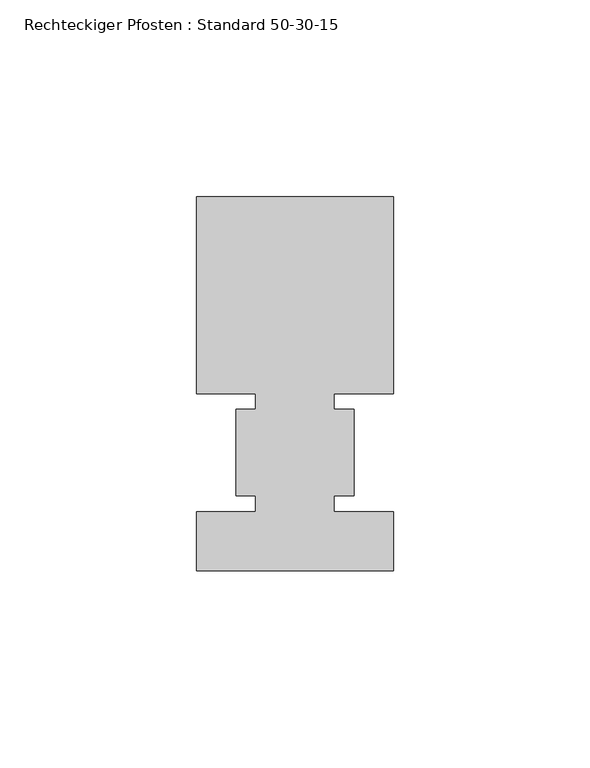
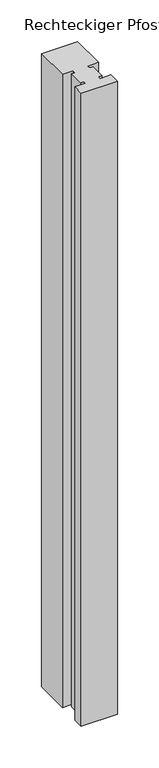
"""IFC4 building model written with IfcOpenShell, lengths in millimetres: member geometry, Rechteckiger Pfosten : Standard 50-30-15."""

from ifc_helpers import new_model, si_unit, frame, origin, place, context, project, spatial, polyline, outline, extrude, source, transform, mapped, element, save


def rechteckiger_pfosten_standard_50_30_15_737d58ae(model_context):
    return source(origin(), model_context, "Body", "SweptSolid", [
        extrude(outline(polyline([(-25.0, 65.0), (25.0, 65.0), (25.0, 15.0), (10.0, 15.0), (10.0, 11.0), (15.0, 11.0), (15.0, -11.0), (10.0, -11.0), (10.0, -15.0), (25.0, -15.0), (25.0, -30.0), (-25.0, -30.0), (-25.0, -15.0), (-10.0, -15.0), (-10.0, -11.0), (-15.0, -11.0), (-15.0, 11.0), (-10.0, 11.0), (-10.0, 15.0), (-25.0, 15.0), (-25.0, 65.0)])), frame((0.0, 0.0, -925.7142856), z_axis=(0.0, 0.0, 1.0), x_axis=(1.0, 0.0, 0.0)), (0.0, 0.0, 1.0), 925.7142856),
    ])


if __name__ == "__main__":
    model = new_model("IFC4")
    model_context = context("Model", 3, world=origin())
    ifc_project = project(units=[si_unit("LENGTHUNIT", "METRE", prefix="MILLI")], contexts=[model_context])
    site = spatial("IfcSite", under=ifc_project)
    building = spatial("IfcBuilding", under=site)
    placement = place(None, origin())
    rechteckiger_pfosten_standard_50_30_15_shape = rechteckiger_pfosten_standard_50_30_15_737d58ae(model_context)
    element("IfcMember", 1, ObjectType="Rechteckiger Pfosten : Standard 50-30-15", at=placement, inside=building, context=model_context, shape_type="MappedRepresentation", body=[
        mapped(rechteckiger_pfosten_standard_50_30_15_shape, transform((0.0, 0.0, 0.0), x_axis=(1.0, 0.0, 0.0), y_axis=(0.0, 1.0, 0.0), z_axis=(0.0, 0.0, 1.0))),
    ])
    save(model, "model.ifc")
